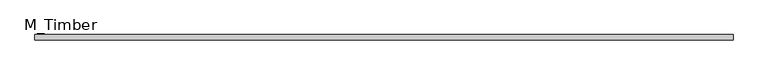
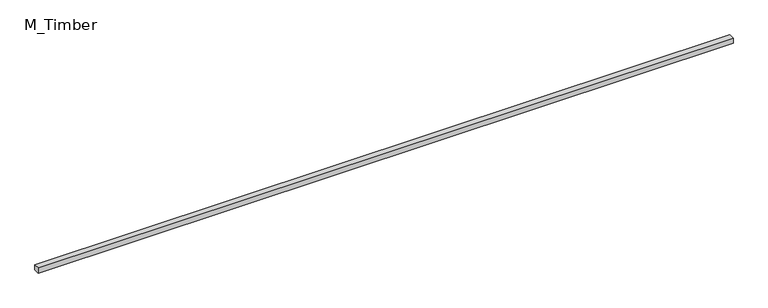
"""IFC4 building model written with IfcOpenShell, lengths in millimetres: beam geometry, M_Timber."""

from ifc_helpers import new_model, si_unit, frame, origin, place, context, project, spatial, polyline, outline, extrude, source, transform, mapped, element, save


def m_timber_f394a8ae(model_context):
    return source(origin(), model_context, "Body", "SweptSolid", [
        extrude(outline(polyline([(2499.8235545, 20.0), (2499.8235545, -20.0), (-2499.8235545, -20.0), (-2499.8235545, 20.0), (2499.8235545, 20.0)])), frame((0.0, 0.0, -20.0), z_axis=(0.0, 0.0, 1.0), x_axis=(1.0, 0.0, 0.0)), (0.0, 0.0, 1.0), 40.0),
    ])


if __name__ == "__main__":
    model = new_model("IFC4")
    model_context = context("Model", 3, world=origin())
    ifc_project = project(units=[si_unit("LENGTHUNIT", "METRE", prefix="MILLI")], contexts=[model_context])
    site = spatial("IfcSite", under=ifc_project)
    building = spatial("IfcBuilding", under=site)
    placement = place(None, origin())
    m_timber_shape = m_timber_f394a8ae(model_context)
    element("IfcBeam", 1, ObjectType="M_Timber", at=placement, inside=building, context=model_context, shape_type="MappedRepresentation", body=[
        mapped(m_timber_shape, transform((0.0, 0.0, 0.0), x_axis=(1.0, 0.0, 0.0), y_axis=(0.0, 1.0, 0.0), z_axis=(0.0, 0.0, 1.0))),
    ])
    save(model, "model.ifc")
